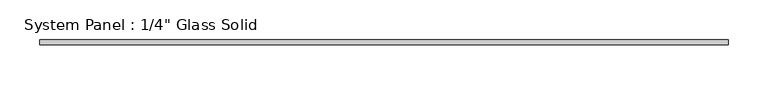
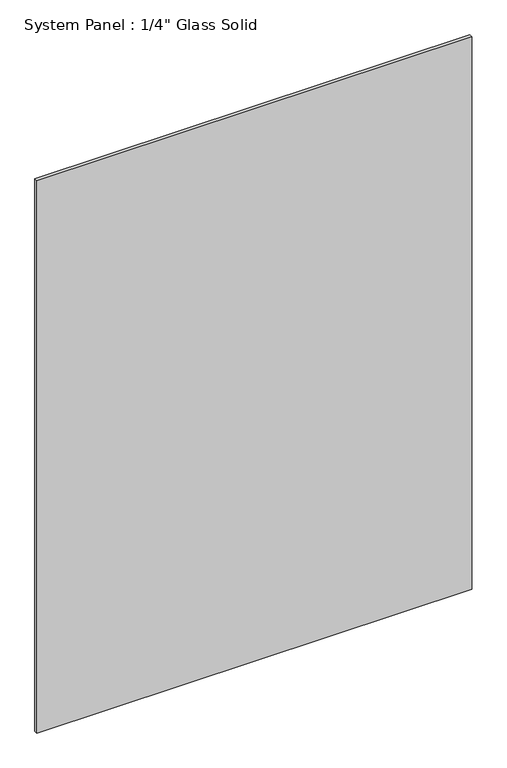
"""IFC4 building model written with IfcOpenShell, lengths in millimetres: plate geometry."""

from ifc_helpers import new_model, si_unit, origin, origin_with_axes, place, context, project, spatial, polyline, outline, extrude, source, transform, mapped, element, save


def plate_b08489fd(model_context):
    return source(origin(), model_context, "Body", "SweptSolid", [
        extrude(outline(polyline([(433.3883852, -3.175), (-433.3883852, -3.175), (-433.3883852, 3.175), (433.3883852, 3.175), (433.3883852, -3.175)])), origin_with_axes(), (0.0, 0.0, 1.0), 1163.2094027),
    ])


if __name__ == "__main__":
    model = new_model("IFC4")
    model_context = context("Model", 3, world=origin())
    ifc_project = project(units=[si_unit("LENGTHUNIT", "METRE", prefix="MILLI")], contexts=[model_context])
    site = spatial("IfcSite", under=ifc_project)
    building = spatial("IfcBuilding", under=site)
    placement = place(None, origin())
    plate_shape = plate_b08489fd(model_context)
    element("IfcPlate", 1, ObjectType="System Panel : 1/4\" Glass Solid", at=placement, inside=building, context=model_context, shape_type="MappedRepresentation", body=[
        mapped(plate_shape, transform((0.0, 0.0, 0.0), x_axis=(1.0, 0.0, 0.0), y_axis=(0.0, 1.0, 0.0), z_axis=(0.0, 0.0, 1.0))),
    ])
    save(model, "model.ifc")
